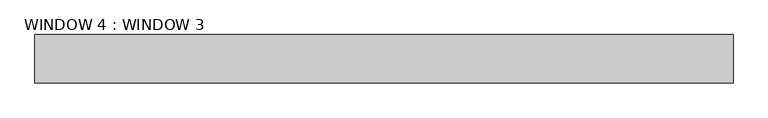
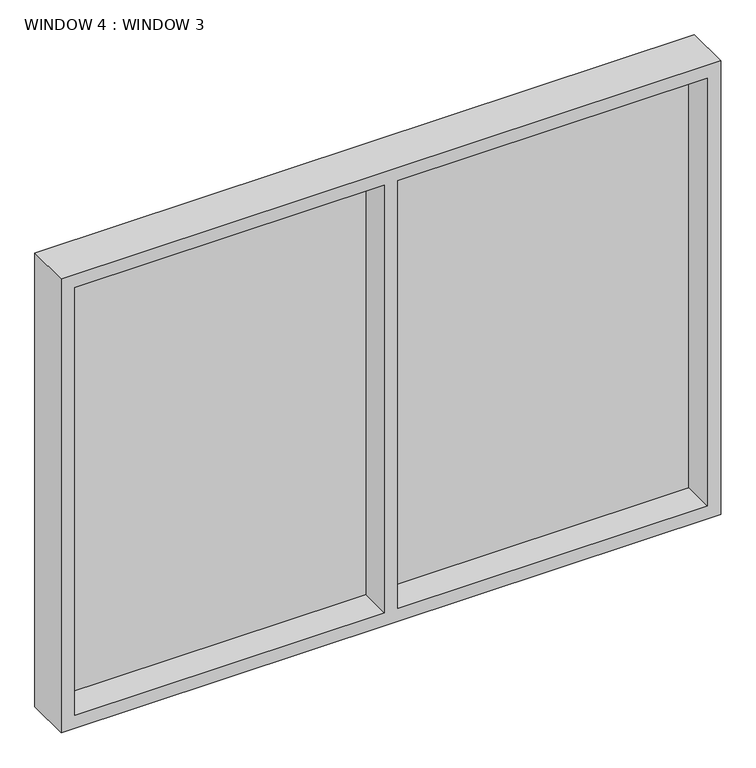
"""IFC4 building model written with IfcOpenShell, lengths in millimetres: proxy geometry, WINDOW 4 : WINDOW 3."""

from ifc_helpers import new_model, si_unit, frame, origin, place, context, project, spatial, polyline, outline, extrude, source, transform, mapped, element, save


def window_4_window_3_86a86061(model_context):
    return source(origin(), model_context, "Body", "SweptSolid", [
        extrude(outline(polyline([(-8844.1749894, -527.1), (-6524.1749894, -527.1), (-6524.1749894, -537.1), (-8844.1749894, -537.1), (-8844.1749894, -527.1)])), frame((0.0, 0.0, 3970.0), z_axis=(0.0, 0.0, 1.0), x_axis=(1.0, 0.0, 0.0)), (0.0, 0.0, 1.0), 1660.0),
        extrude(outline(polyline([(5680.0, -6474.1749894), (5680.0, -8894.1749894), (3920.0, -8894.1749894), (3920.0, -6474.1749894), (5680.0, -6474.1749894)]), holes=[polyline([(5630.0, -6524.1749894), (3970.0, -6524.1749894), (3970.0, -7659.1749894), (5630.0, -7659.1749894), (5630.0, -6524.1749894)]), polyline([(3970.0, -8844.1749894), (5630.0, -8844.1749894), (5630.0, -7709.1749894), (3970.0, -7709.1749894), (3970.0, -8844.1749894)])]), frame((0.0, -654.0, 0.0), z_axis=(0.0, 1.0, 0.0), x_axis=(0.0, 0.0, 1.0)), (0.0, 0.0, 1.0), 166.9),
    ])


if __name__ == "__main__":
    model = new_model("IFC4")
    model_context = context("Model", 3, world=origin())
    ifc_project = project(units=[si_unit("LENGTHUNIT", "METRE", prefix="MILLI")], contexts=[model_context])
    site = spatial("IfcSite", under=ifc_project)
    building = spatial("IfcBuilding", under=site)
    placement = place(None, origin())
    window_4_window_3_shape = window_4_window_3_86a86061(model_context)
    element("IfcBuildingElementProxy", 1, Name="WINDOW 4 : WINDOW 3", ObjectType="WINDOW 4 : WINDOW 3", at=placement, inside=building, context=model_context, shape_type="MappedRepresentation", body=[
        mapped(window_4_window_3_shape, transform((0.0, 0.0, 0.0), x_axis=(1.0, 0.0, 0.0), y_axis=(0.0, 1.0, 0.0), z_axis=(0.0, 0.0, 1.0))),
    ])
    save(model, "model.ifc")
